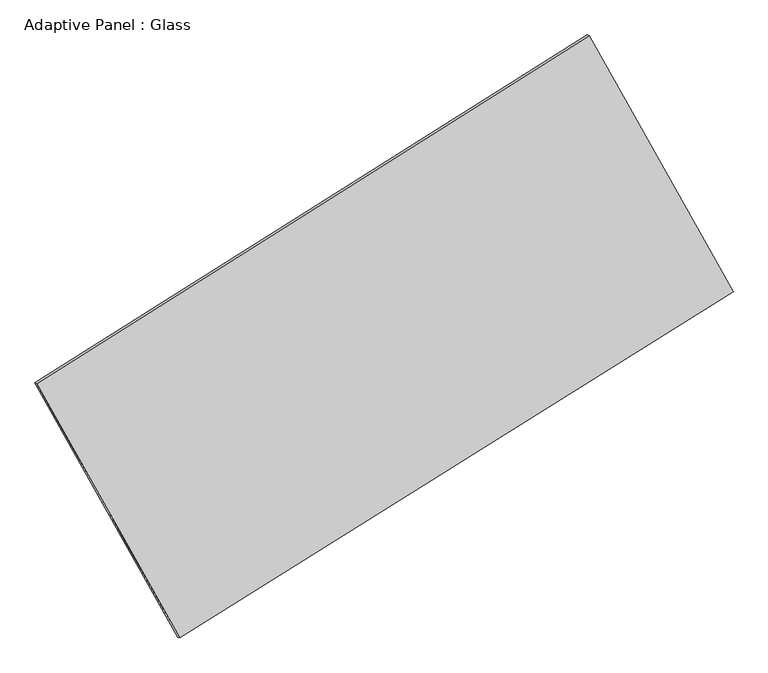
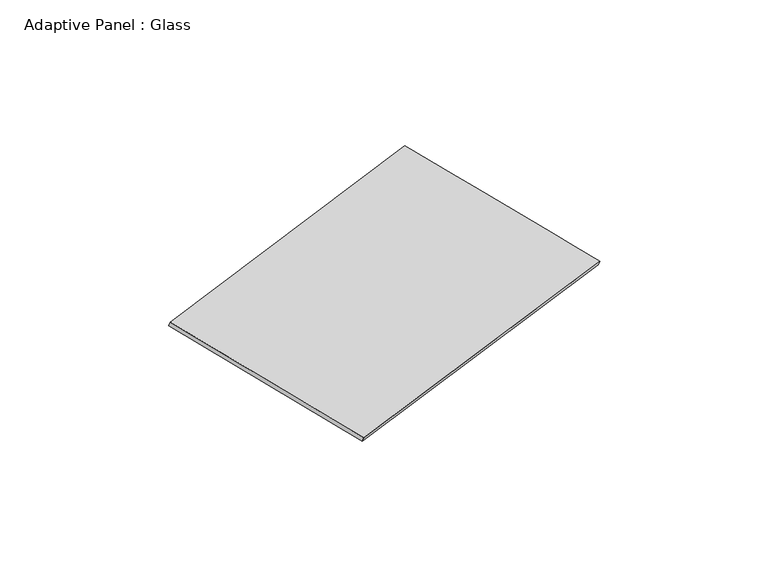
"""IFC4 building model written with IfcOpenShell, lengths in millimetres: plate geometry, Adaptive Panel : Glass."""

from ifc_helpers import new_model, si_unit, frame, origin, place, context, project, spatial, source, transform, mapped, element, save
from ifc_brep_helpers import plane_surface, spline_surface, advanced_brep


def adaptive_panel_glass_1111f89b(model_context):
    return source(origin(), model_context, "Body", "AdvancedBrep", [
        advanced_brep(
        [(1159.2432013, 2568.8410279, 669.4990334), (-3730.5990887, -510.1004261, 1770.3816225), (-3715.9327329, -516.4805196, 1817.7545305), (1173.9095571, 2562.4609344, 716.8719414), (-2465.4128019, -2761.6914082, 1073.7585626), (-2450.746446, -2768.0715016, 1121.1314706), (2433.4781112, 302.7022336, -28.5166982), (2448.144467, 296.3221401, 18.8562098)],
        [
            (0, 1),
            (1, 2),
            (2, 3),
            (3, 0),
            (1, 4),
            (4, 5),
            (5, 2),
            (4, 6),
            (6, 7),
            (7, 5),
            (6, 0),
            (3, 7),
        ],
        [
            plane_surface(frame((-1285.6779437, 1029.3703009, 1219.9403279), z_axis=(-0.47203584078014504, 0.8424890729858133, 0.2596041735382676), x_axis=(-0.8312695323214127, -0.5234177445198391, 0.18714921681883798))),
            plane_surface(frame((-3098.0059453, -1635.8959171, 1422.0700925), z_axis=(-0.8307201554383761, -0.5245039596128883, 0.1865465617448959), x_axis=(0.47296627509364547, -0.8417152563902224, -0.2604195265028805))),
            plane_surface(frame((-15.9673453, -1229.4945873, 522.6209322), z_axis=(0.46964704565949944, -0.8439882628524579, -0.2590665255693885), x_axis=(0.8327804667231324, 0.5209275349187797, -0.18737982177343757))),
            plane_surface(frame((1796.3606562, 1435.7716307, 320.4911676), z_axis=(0.8306944420688603, 0.5245497046736508, -0.18653244018853887), x_axis=(-0.4733602390682322, 0.8418384970107349, 0.25930296762662214))),
            spline_surface(1, 1, [[(-3715.9327329, -516.4805196, 1817.7545305), (1173.9095571, 2562.4609344, 716.8719414)], [(-2450.746446, -2768.0715016, 1121.1314706), (2448.144467, 296.3221401, 18.8562098)]], [2, 2], [2, 2], [0.0, 1.0], [0.0, 1.0]),
            spline_surface(1, 1, [[(2433.4781112, 302.7022336, -28.5166982), (1159.2432013, 2568.8410279, 669.4990334)], [(-2465.4128019, -2761.6914082, 1073.7585626), (-3730.5990887, -510.1004261, 1770.3816225)]], [2, 2], [2, 2], [0.0, 1.0], [0.0, 1.0]),
        ],
        [
            (0, [[1, 2, 3, 4]]),
            (1, [[5, 6, 7, -2]]),
            (2, [[8, 9, 10, -6]]),
            (3, [[11, -4, 12, -9]]),
            (4, [[-3, -7, -10, -12]]),
            (5, [[-11, -8, -5, -1]]),
        ],
    ),
    ])


if __name__ == "__main__":
    model = new_model("IFC4")
    model_context = context("Model", 3, world=origin())
    ifc_project = project(units=[si_unit("LENGTHUNIT", "METRE", prefix="MILLI")], contexts=[model_context])
    site = spatial("IfcSite", under=ifc_project)
    building = spatial("IfcBuilding", under=site)
    placement = place(None, origin())
    adaptive_panel_glass_shape = adaptive_panel_glass_1111f89b(model_context)
    element("IfcPlate", 1, ObjectType="Adaptive Panel : Glass", at=placement, inside=building, context=model_context, shape_type="MappedRepresentation", body=[
        mapped(adaptive_panel_glass_shape, transform((0.0, 0.0, 0.0), x_axis=(1.0, 0.0, 0.0), y_axis=(0.0, 1.0, 0.0), z_axis=(0.0, 0.0, 1.0))),
    ])
    save(model, "model.ifc")
